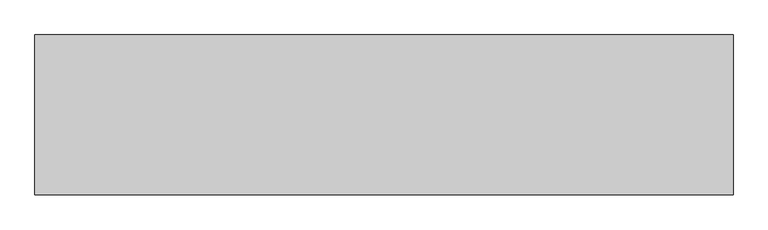
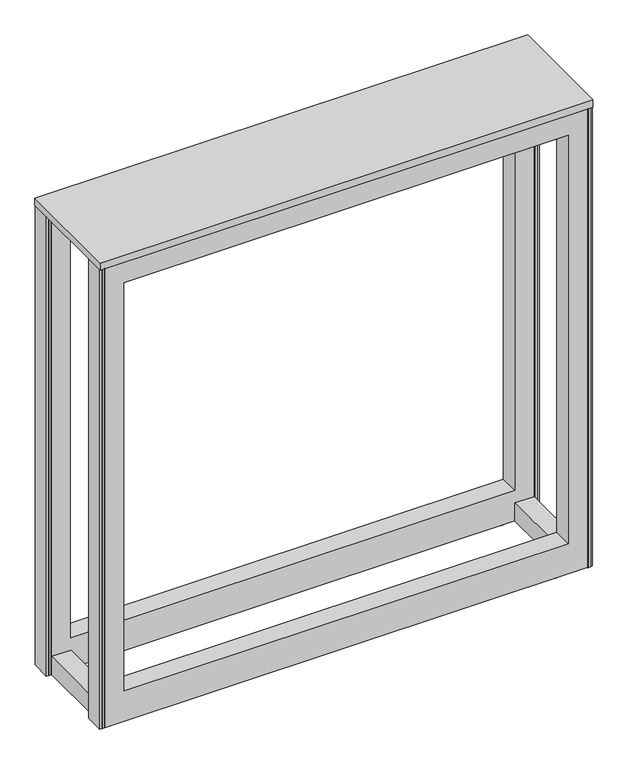
"""IFC4 building model written with IfcOpenShell, lengths in millimetres: furniture geometry."""

import ifcopenshell
import ifcopenshell.guid

model = None  # the IFC model being written
_history = None  # IfcOwnerHistory: only IFC2X3 demands one
_inside = {}  # id of a spatial element -> (the spatial element, [elements in it])
_under = {}  # id of a project, library or spatial element -> (it, [spatial elements below it])
_declared = {}  # id of a project -> (the project, [libraries it declares])
_typed = {}  # id of a type object -> (the type object, [elements of that type])
_made_of = {}  # id of a material, layer set ... -> (it, [elements and type objects made of it])


def new_model(schema):
    """Start an empty IFC model of exactly this schema.

    Asked for "IFC4X3", IfcOpenShell would pick the latest addendum, in which some entities
    have other attributes; the version numbers below select the first issue.
    IFC2X3 requires an IfcOwnerHistory on every rooted entity: one is made here for all.
    """
    global model, _history
    if schema == "IFC4X3":
        model = ifcopenshell.file(schema_version=(4, 3, 0, 0))
    else:
        model = ifcopenshell.file(schema=schema)
    _inside.clear()
    _under.clear()
    _declared.clear()
    _typed.clear()
    _made_of.clear()
    _history = None
    if model.schema == "IFC2X3":
        org = make("IfcOrganization", Name="unknown")
        user = make(
            "IfcPersonAndOrganization",
            ThePerson=make("IfcPerson", FamilyName="unknown"),
            TheOrganization=org,
        )
        app = make(
            "IfcApplication",
            ApplicationDeveloper=org,
            Version="unknown",
            ApplicationFullName="unknown",
            ApplicationIdentifier="unknown",
        )
        _history = make(
            "IfcOwnerHistory",
            OwningUser=user,
            OwningApplication=app,
            ChangeAction="ADDED",
            CreationDate=0,
        )
    return model


def make(cls, **values):
    """One entity of the class cls with the attributes given. An attribute that is None is left unset."""
    return model.create_entity(
        cls, **{name: value for name, value in values.items() if value is not None}
    )


def rooted(cls, **values):
    """An entity with a GlobalId (a new one), such as an element, a storey or a relation."""
    return make(cls, GlobalId=ifcopenshell.guid.new(), OwnerHistory=_history, **values)


def si_unit(unit_type, name, prefix=None):
    """IfcSIUnit, for example si_unit("LENGTHUNIT", "METRE", prefix="MILLI")."""
    return make("IfcSIUnit", UnitType=unit_type, Prefix=prefix, Name=name)


def assignment(units):
    """IfcUnitAssignment: the units of a project."""
    return None if units is None else make("IfcUnitAssignment", Units=units)


def point(xyz):
    """IfcCartesianPoint."""
    return None if xyz is None else make("IfcCartesianPoint", Coordinates=xyz)


def direction(xyz):
    """IfcDirection."""
    return None if xyz is None else make("IfcDirection", DirectionRatios=xyz)


def frame(location, z_axis=None, x_axis=None):
    """IfcAxis2Placement3D, a coordinate frame: its origin and axes. An axis left out is left unset."""
    return make(
        "IfcAxis2Placement3D",
        Location=point(location),
        Axis=direction(z_axis),
        RefDirection=direction(x_axis),
    )


def origin():
    """The frame at (0, 0, 0) with its axes left unset."""
    return frame((0.0, 0.0, 0.0))


def place(relative_to, where):
    """IfcLocalPlacement: puts the frame where relative to a parent placement (None: the world)."""
    return make(
        "IfcLocalPlacement", PlacementRelTo=relative_to, RelativePlacement=where
    )


def context(
    kind, dimensions, precision=None, world=None, true_north=None, identifier=None
):
    """IfcGeometricRepresentationContext, for example the 3D "Model" context."""
    return make(
        "IfcGeometricRepresentationContext",
        ContextIdentifier=identifier,
        ContextType=kind,
        CoordinateSpaceDimension=dimensions,
        Precision=precision,
        WorldCoordinateSystem=world,
        TrueNorth=true_north,
    )


def project(units=None, contexts=None):
    """IfcProject with its units and contexts."""
    return rooted(
        "IfcProject",
        Name="project",
        RepresentationContexts=contexts,
        UnitsInContext=assignment(units),
    )


def spatial(cls, under=None, at=None, **own):
    """A site, building, storey or space (cls), placed at a placement, below another one or the project."""
    s = rooted(cls, ObjectPlacement=at, **own)
    if under is not None:
        _under.setdefault(under.id(), (under, []))[1].append(s)
    return s


def polyline(points):
    """IfcPolyline through the points."""
    return make("IfcPolyline", Points=[point(p) for p in points])


def circle_curve(where, radius):
    """IfcCircle in the frame where."""
    return make("IfcCircle", Position=where, Radius=radius)


def outline(outer, holes=None, kind="AREA"):
    """IfcArbitraryClosedProfileDef: a profile drawn as a closed curve; with holes, ...WithVoids."""
    if holes is None:
        return make("IfcArbitraryClosedProfileDef", ProfileType=kind, OuterCurve=outer)
    return make(
        "IfcArbitraryProfileDefWithVoids",
        ProfileType=kind,
        OuterCurve=outer,
        InnerCurves=holes,
    )


def extrude(swept, where, along, depth):
    """IfcExtrudedAreaSolid: the profile swept, set in the frame where, extruded along a direction by depth."""
    return make(
        "IfcExtrudedAreaSolid",
        SweptArea=swept,
        Position=where,
        ExtrudedDirection=direction(along),
        Depth=depth,
    )


def faces_of(points, faces, orient=None, outer=None):
    """IfcFace entities. A face is a list of loops; a loop is a list of indices into points, from 0.

    orient and outer hold one flag for each loop. By default every Orientation is true, the
    first loop of a face is its IfcFaceOuterBound and the others are IfcFaceBound.
    """
    made = []
    for i, loops in enumerate(faces):
        bounds = []
        for j, loop in enumerate(loops):
            is_outer = j == 0 if outer is None else outer[i][j]
            bounds.append(
                make(
                    "IfcFaceOuterBound" if is_outer else "IfcFaceBound",
                    Bound=make("IfcPolyLoop", Polygon=[points[k] for k in loop]),
                    Orientation=True if orient is None else orient[i][j],
                )
            )
        made.append(make("IfcFace", Bounds=bounds))
    return made


def faceted_brep(points, faces, orient=None, outer=None, voids=None):
    """IfcFacetedBrep: a solid bounded by flat faces; with voids (closed shells), ...WithVoids."""
    shared = [point(p) for p in points]
    hull = make("IfcClosedShell", CfsFaces=faces_of(shared, faces, orient, outer))
    if voids is None:
        return make("IfcFacetedBrep", Outer=hull)
    return make(
        "IfcFacetedBrepWithVoids",
        Outer=hull,
        Voids=[
            make(cls, CfsFaces=faces_of(shared, fs, o, b)) for cls, fs, o, b in voids
        ],
    )


def shape(context_of_items, identifier, shape_type, items):
    """IfcShapeRepresentation: the items that make up one representation, for example the "Body"."""
    return make(
        "IfcShapeRepresentation",
        ContextOfItems=context_of_items,
        RepresentationIdentifier=identifier,
        RepresentationType=shape_type,
        Items=items,
    )


def source(mapping_origin, context_of_items, identifier, shape_type, items):
    """IfcRepresentationMap: a shape defined once, which mapped items show again and again."""
    return make(
        "IfcRepresentationMap",
        MappingOrigin=mapping_origin,
        MappedRepresentation=shape(context_of_items, identifier, shape_type, items),
    )


def transform(
    local_origin,
    x_axis=None,
    y_axis=None,
    z_axis=None,
    scale=None,
    scale2=None,
    scale3=None,
    uniform=True,
):
    """IfcCartesianTransformationOperator3D, or its non-uniform kind. x_axis, y_axis, z_axis: its Axis1, 2, 3."""
    if uniform:
        return make(
            "IfcCartesianTransformationOperator3D",
            Axis1=direction(x_axis),
            Axis2=direction(y_axis),
            LocalOrigin=point(local_origin),
            Scale=scale,
            Axis3=direction(z_axis),
        )
    return make(
        "IfcCartesianTransformationOperator3DnonUniform",
        Axis1=direction(x_axis),
        Axis2=direction(y_axis),
        LocalOrigin=point(local_origin),
        Scale=scale,
        Axis3=direction(z_axis),
        Scale2=scale2,
        Scale3=scale3,
    )


def mapped(mapping_source, mapping_target):
    """IfcMappedItem: shows the shape of a source again, moved by a transform."""
    return make(
        "IfcMappedItem", MappingSource=mapping_source, MappingTarget=mapping_target
    )


def made_of(thing, what):
    """Note that an element or type object is made of a material, layer set ...; save() writes the relation."""
    if what is not None:
        _made_of.setdefault(what.id(), (what, []))[1].append(thing)
    return thing


def element(
    cls,
    number,
    at=None,
    inside=None,
    cuts=None,
    type_object=None,
    material=None,
    context=None,
    identifier="Body",
    shape_type=None,
    held_by="IfcProductDefinitionShape",
    body=None,
    shapes=None,
    **own,
):
    """One element of the class cls, such as IfcWall. Its Tag is "e" and its number.

    at: its placement. inside: the storey or other place that contains it. cuts: it is an
    opening in that element (IfcRelVoidsElement). A single representation is given by context,
    identifier, shape_type and body (its items); several are given by shapes. held_by: the class
    of the entity that holds the representations. save() writes the other relations.
    """
    e = rooted(cls, Tag="e%d" % number, ObjectPlacement=at, **own)
    if body is not None:
        shapes = [shape(context, identifier, shape_type, body)]
    if shapes is not None:
        e.Representation = make(held_by, Representations=shapes)
    if inside is not None:
        _inside.setdefault(inside.id(), (inside, []))[1].append(e)
    if cuts is not None:
        rooted(
            "IfcRelVoidsElement", RelatingBuildingElement=cuts, RelatedOpeningElement=e
        )
    if type_object is not None:
        _typed.setdefault(type_object.id(), (type_object, []))[1].append(e)
    return made_of(e, material)


def aggregate(whole, parts):
    """IfcRelAggregates: a whole, such as a stair, and the parts it consists of."""
    return rooted("IfcRelAggregates", RelatingObject=whole, RelatedObjects=parts)


def save(model, path):
    """Write the relations noted so far, then the file.

    IfcRelAggregates (storeys below a building ...), IfcRelContainedInSpatialStructure (elements
    in a storey), IfcRelDefinesByType, IfcRelAssociatesMaterial and IfcRelDeclares: one each for
    every whole, place, type object, material and project.
    """
    for whole, parts in _under.values():
        aggregate(whole, parts)
    for where, things in _inside.values():
        rooted(
            "IfcRelContainedInSpatialStructure",
            RelatedElements=things,
            RelatingStructure=where,
        )
    for kind, things in _typed.values():
        rooted("IfcRelDefinesByType", RelatedObjects=things, RelatingType=kind)
    for what, things in _made_of.values():
        rooted("IfcRelAssociatesMaterial", RelatedObjects=things, RelatingMaterial=what)
    for by, libraries in _declared.values():
        rooted("IfcRelDeclares", RelatingContext=by, RelatedDefinitions=libraries)
    model.write(path)


def plane_surface(at):
    """IfcPlane: the flat surface through the origin of the frame at, square to its z axis."""
    return make("IfcPlane", Position=at)


def cylinder_surface(at, radius):
    """IfcCylindricalSurface: all points at the distance radius from the z axis of the frame at."""
    return make("IfcCylindricalSurface", Position=at, Radius=radius)


def advanced_brep(points, edges, surfaces, faces):
    """IfcAdvancedBrep: a solid bounded by faces that lie on surfaces and meet in shared edges.

    An edge is (start, end): straight between two places in points (the first is 0);
    or (start, end, curve); or (start, end, curve, False) where it runs against its curve.
    A face is (place in surfaces, loops), or (place, loops, False) where it looks against
    its surface's normal. A loop lists edges by number (the first is 1), with a minus sign
    where the edge is run from its end to its start. The first loop is the outer one.
    """
    corners = [point(p) for p in points]
    vertices = [make("IfcVertexPoint", VertexGeometry=c) for c in corners]
    made = []
    for start, end, *more in edges:
        made.append(
            make(
                "IfcEdgeCurve",
                EdgeStart=vertices[start],
                EdgeEnd=vertices[end],
                EdgeGeometry=more[0] if more else make("IfcPolyline", Points=[corners[start], corners[end]]),
                SameSense=more[1] if len(more) > 1 else True,
            )
        )
    hull = []
    for where, loops, *sense in faces:
        bounds = []
        for j, loop in enumerate(loops):
            ring = [make("IfcOrientedEdge", EdgeElement=made[abs(k) - 1], Orientation=k > 0) for k in loop]
            bounds.append(
                make(
                    "IfcFaceOuterBound" if j == 0 else "IfcFaceBound",
                    Bound=make("IfcEdgeLoop", EdgeList=ring),
                    Orientation=True,
                )
            )
        hull.append(make("IfcAdvancedFace", Bounds=bounds, FaceSurface=surfaces[where], SameSense=sense[0] if sense else True))
    return make("IfcAdvancedBrep", Outer=make("IfcClosedShell", CfsFaces=hull))


def furniture_310f0b19(model_context):
    return source(origin(), model_context, "Body", "SolidModel", [
        extrude(outline(polyline([(552.3647752, -1662.8012805), (552.3647752, -1942.2012805), (-666.8352248, -1942.2012805), (-666.8352248, -1662.8012805), (552.3647752, -1662.8012805)])), frame((0.0, 0.0, 1209.675), z_axis=(0.0, 0.0, 1.0), x_axis=(1.0, 0.0, 0.0)), (0.0, 0.0, 1.0), 19.05),
        faceted_brep([(-606.5102232, -1716.7762789, 1155.6999758), (-606.5102232, -1716.7762789, 1147.8259651), (-606.5102232, -1717.5700289, 1147.8259651), (-606.5102232, -1717.5700289, 1156.4937258), (-606.5102232, -1712.1156691, 1156.4937258), (-606.5102232, -1712.1156691, 1155.6999758), (492.0327537, -1717.5700289, 1156.4937258), (492.0327537, -1717.5700289, 1147.8259651), (492.0327537, -1716.7762789, 1147.8259651), (492.0327537, -1716.7762789, 1155.6999758), (492.0327537, -1712.1156691, 1155.6999758), (492.0327537, -1712.1156691, 1156.4937258), (492.0327537, -1667.5637805, 1156.4937258), (-606.5102232, -1667.5637805, 1156.4937258), (492.0327537, -1667.5637805, 1208.88125), (-606.5102232, -1667.5637805, 1208.88125), (492.0327537, -1712.1156691, 1208.88125), (-606.5102232, -1712.1156691, 1208.88125), (-658.8977242, -1712.1156691, 1209.675), (-658.8977242, -1712.1156691, 9.525), (544.4272747, -1712.1156691, 9.525), (544.4272747, -1712.1156691, 1209.675), (492.0327537, -1712.1156691, 88.9000027), (-606.5102232, -1712.1156691, 88.9000027), (-658.8977242, -1664.3887805, 1209.675), (544.4272747, -1664.3887805, 1209.675), (-658.8977242, -1664.3887805, 9.525), (544.4272747, -1664.3887805, 9.525), (492.0327537, -1664.3887805, 1155.6999758), (-606.5102232, -1664.3887805, 1155.6999758), (-606.5102232, -1664.3887805, 88.9000027), (492.0327537, -1664.3887805, 88.9000027)], [[[0, 1, 2, 3, 4, 5]], [[6, 7, 8, 9, 10, 11]], [[3, 6, 11, 12, 13, 4]], [[13, 12, 14, 15]], [[15, 14, 16, 17]], [[18, 19, 20, 21], [17, 16, 11, 10, 22, 23, 5, 4]], [[24, 18, 21, 25]], [[26, 24, 25, 27], [28, 29, 30, 31]], [[29, 28, 10, 9, 0, 5]], [[1, 0, 9, 8]], [[2, 1, 8, 7]], [[3, 2, 7, 6]], [[19, 26, 27, 20]], [[17, 4, 13, 15]], [[29, 5, 23, 30]], [[18, 24, 26, 19]], [[25, 21, 20, 27]], [[11, 16, 14, 12]], [[10, 28, 31, 22]], [[31, 30, 23, 22]]]),
        faceted_brep([(-606.5102232, -1888.1243934, 1147.8259651), (-606.5102232, -1888.1243934, 1155.6999758), (-606.5102232, -1892.9887805, 1155.6999758), (-606.5102232, -1892.9887805, 1156.4937258), (-606.5102232, -1887.3306434, 1156.4937258), (-606.5102232, -1887.3306434, 1147.8259651), (492.0327537, -1888.1243934, 1147.8259651), (492.0327537, -1887.3306434, 1147.8259651), (492.0327537, -1887.3306434, 1156.4937258), (492.0327537, -1892.9887805, 1156.4937258), (492.0327537, -1892.9887805, 1155.6999758), (492.0327537, -1888.1243934, 1155.6999758), (-658.8977242, -1892.9887805, 1209.675), (-658.8977242, -1940.7156691, 1209.675), (544.4272747, -1940.7156691, 1209.675), (544.4272747, -1892.9887805, 1209.675), (492.0327537, -1940.7156691, 1155.6999758), (-606.5102232, -1940.7156691, 1155.6999758), (-658.8977242, -1940.7156691, 9.525), (544.4272747, -1940.7156691, 9.525), (492.0327537, -1940.7156691, 88.9000027), (-606.5102232, -1940.7156691, 88.9000027), (-658.8977242, -1892.9887805, 9.525), (544.4272747, -1892.9887805, 9.525), (492.0327537, -1892.9887805, 1208.88125), (-606.5102232, -1892.9887805, 1208.88125), (-606.5102232, -1892.9887805, 88.9000027), (492.0327537, -1892.9887805, 88.9000027), (492.0327537, -1937.438782, 1208.88125), (-606.5102232, -1937.438782, 1208.88125), (492.0327537, -1937.438782, 1156.4937258), (-606.5102232, -1937.438782, 1156.4937258)], [[[0, 1, 2, 3, 4, 5]], [[6, 7, 8, 9, 10, 11]], [[12, 13, 14, 15]], [[1, 0, 6, 11]], [[1, 11, 10, 16, 17, 2]], [[13, 18, 19, 14], [17, 16, 20, 21]], [[22, 12, 15, 23], [24, 25, 3, 2, 26, 27, 10, 9]], [[25, 24, 28, 29]], [[29, 28, 30, 31]], [[31, 30, 9, 8, 4, 3]], [[5, 4, 8, 7]], [[0, 5, 7, 6]], [[18, 22, 23, 19]], [[2, 17, 21, 26]], [[3, 25, 29, 31]], [[13, 12, 22, 18]], [[15, 14, 19, 23]], [[16, 10, 27, 20]], [[24, 9, 30, 28]], [[27, 26, 21, 20]]]),
        faceted_brep([(492.0327537, -1713.6012805, 57.1500023), (492.0327537, -1713.6012805, 9.525), (492.0327537, -1891.4012805, 9.525), (492.0327537, -1891.4012805, 57.1500023), (539.6647745, -1713.6012805, 57.1500023), (539.6647745, -1891.4012805, 57.1500023), (539.6647745, -1891.4012805, 9.525), (539.6647745, -1713.6012805, 9.525)], [[[0, 1, 2, 3]], [[4, 5, 6, 7]], [[1, 0, 4, 7]], [[2, 1, 7, 6]], [[3, 2, 6, 5]], [[0, 3, 5, 4]]]),
        faceted_brep([(-654.135224, -1891.4012805, 57.1500023), (-654.135224, -1713.6012805, 57.1500023), (-654.135224, -1713.6012805, 9.525), (-654.135224, -1891.4012805, 9.525), (-606.5102232, -1891.4012805, 57.1500023), (-606.5102232, -1891.4012805, 9.525), (-606.5102232, -1713.6012805, 9.525), (-606.5102232, -1713.6012805, 57.1500023)], [[[0, 1, 2, 3]], [[4, 5, 6, 7]], [[1, 0, 4, 7]], [[2, 1, 7, 6]], [[3, 2, 6, 5]], [[0, 3, 5, 4]]]),
        extrude(outline(polyline([(-666.8352248, -1664.3887805), (-658.8977242, -1664.3887805), (-658.8977242, -1712.1156691), (-666.8352248, -1712.1156691), (-666.8352248, -1664.3887805)])), frame((0.0, 0.0, 9.525), z_axis=(0.0, 0.0, 1.0), x_axis=(1.0, 0.0, 0.0)), (0.0, 0.0, 1.0), 1200.15),
        extrude(outline(polyline([(552.3647752, -1664.3887805), (552.3647752, -1712.1156691), (544.4272747, -1712.1156691), (544.4272747, -1664.3887805), (552.3647752, -1664.3887805)])), frame((0.0, 0.0, 9.525), z_axis=(0.0, 0.0, 1.0), x_axis=(1.0, 0.0, 0.0)), (0.0, 0.0, 1.0), 1200.15),
        extrude(outline(polyline([(-666.8352248, -1940.7156691), (-666.8352248, -1892.9887805), (-658.8977242, -1892.9887805), (-658.8977242, -1940.7156691), (-666.8352248, -1940.7156691)])), frame((0.0, 0.0, 9.525), z_axis=(0.0, 0.0, 1.0), x_axis=(1.0, 0.0, 0.0)), (0.0, 0.0, 1.0), 1200.15),
        extrude(outline(polyline([(552.3647752, -1940.7156691), (544.4272747, -1940.7156691), (544.4272747, -1892.9887805), (552.3647752, -1892.9887805), (552.3647752, -1940.7156691)])), frame((0.0, 0.0, 9.525), z_axis=(0.0, 0.0, 1.0), x_axis=(1.0, 0.0, 0.0)), (0.0, 0.0, 1.0), 1200.15),
        advanced_brep(
        [(460.3465668, -1688.2012805, 31.7500003), (473.0465668, -1688.2012805, 31.7500003), (466.6965668, -1688.2012805, 31.7500003), (460.3465668, -1688.2012805, 4.7625), (473.0465668, -1688.2012805, 4.7625), (453.9965668, -1688.2012805, 4.7625), (479.3965668, -1688.2012805, 4.7625), (453.9965668, -1688.2012805, 0.0), (479.3965668, -1688.2012805, 0.0), (466.6965668, -1688.2012805, 0.0)],
        [
            (0, 1, circle_curve(frame((466.6965668, -1688.2012805, 31.7500003), z_axis=(0.0, 0.0, 1.0), x_axis=(1.0, 0.0, 0.0)), 6.35)),
            (1, 2),
            (2, 0),
            (1, 0, circle_curve(frame((466.6965668, -1688.2012805, 31.7500003), z_axis=(0.0, 0.0, 1.0), x_axis=(1.0, 0.0, 0.0)), 6.35)),
            (3, 4, circle_curve(frame((466.6965668, -1688.2012805, 4.7625), z_axis=(0.0, 0.0, 1.0), x_axis=(1.0, 0.0, 0.0)), 6.35)),
            (4, 1),
            (0, 3),
            (4, 3, circle_curve(frame((466.6965668, -1688.2012805, 4.7625), z_axis=(0.0, 0.0, 1.0), x_axis=(1.0, 0.0, 0.0)), 6.35)),
            (5, 6, circle_curve(frame((466.6965668, -1688.2012805, 4.7625), z_axis=(0.0, 0.0, 1.0), x_axis=(1.0, 0.0, 0.0)), 12.7)),
            (6, 4),
            (3, 5),
            (6, 5, circle_curve(frame((466.6965668, -1688.2012805, 4.7625), z_axis=(0.0, 0.0, 1.0), x_axis=(1.0, 0.0, 0.0)), 12.7)),
            (7, 8, circle_curve(frame((466.6965668, -1688.2012805, 0.0), z_axis=(0.0, 0.0, 1.0), x_axis=(1.0, 0.0, 0.0)), 12.7)),
            (8, 6),
            (5, 7),
            (8, 7, circle_curve(frame((466.6965668, -1688.2012805, 0.0), z_axis=(0.0, 0.0, 1.0), x_axis=(1.0, 0.0, 0.0)), 12.7)),
            (9, 8),
            (7, 9),
        ],
        [
            plane_surface(frame((466.6965668, -1688.2012805, 31.7500003), z_axis=(0.0, 0.0, 1.0), x_axis=(1.0, 0.0, 0.0))),
            cylinder_surface(frame((466.6965668, -1688.2012805, -8.2875395), z_axis=(0.0, 0.0, -1.0), x_axis=(1.0, 0.0, 0.0)), 6.35),
            plane_surface(frame((466.6965668, -1688.2012805, 4.7625), z_axis=(0.0, 0.0, 1.0), x_axis=(1.0, 0.0, 0.0))),
            cylinder_surface(frame((466.6965668, -1688.2012805, -8.2875395), z_axis=(0.0, 0.0, -1.0), x_axis=(1.0, 0.0, 0.0)), 12.7),
            plane_surface(frame((466.6965668, -1688.2012805, 0.0), z_axis=(0.0, 0.0, -1.0), x_axis=(1.0, 0.0, 0.0))),
        ],
        [
            (0, [[1, 2, 3]]),
            (0, [[4, -3, -2]]),
            (1, [[5, 6, -1, 7]]),
            (1, [[8, -7, -4, -6]]),
            (2, [[9, 10, -5, 11]]),
            (2, [[12, -11, -8, -10]]),
            (3, [[13, 14, -9, 15]]),
            (3, [[16, -15, -12, -14]]),
            (4, [[17, -13, 18]]),
            (4, [[-18, -16, -17]]),
        ],
    ),
        advanced_brep(
        [(453.9965668, -1916.8012805, 0.0), (479.3965668, -1916.8012805, 0.0), (479.3965668, -1916.8012805, 4.7625), (453.9965668, -1916.8012805, 4.7625), (466.6965668, -1916.8012805, 0.0), (460.3465668, -1916.8012805, 31.7500003), (473.0465668, -1916.8012805, 31.7500003), (466.6965668, -1916.8012805, 31.7500003), (460.3465668, -1916.8012805, 4.7625), (473.0465668, -1916.8012805, 4.7625)],
        [
            (0, 1, circle_curve(frame((466.6965668, -1916.8012805, 0.0), z_axis=(0.0, 0.0, 1.0), x_axis=(1.0, 0.0, 0.0)), 12.7)),
            (1, 2),
            (2, 3, circle_curve(frame((466.6965668, -1916.8012805, 4.7625), z_axis=(0.0, 0.0, -1.0), x_axis=(1.0, 0.0, 0.0)), 12.7)),
            (3, 0),
            (1, 0, circle_curve(frame((466.6965668, -1916.8012805, 0.0), z_axis=(0.0, 0.0, 1.0), x_axis=(1.0, 0.0, 0.0)), 12.7)),
            (3, 2, circle_curve(frame((466.6965668, -1916.8012805, 4.7625), z_axis=(0.0, 0.0, -1.0), x_axis=(1.0, 0.0, 0.0)), 12.7)),
            (4, 1),
            (0, 4),
            (5, 6, circle_curve(frame((466.6965668, -1916.8012805, 31.7500003), z_axis=(0.0, 0.0, 1.0), x_axis=(1.0, 0.0, 0.0)), 6.35)),
            (6, 7),
            (7, 5),
            (6, 5, circle_curve(frame((466.6965668, -1916.8012805, 31.7500003), z_axis=(0.0, 0.0, 1.0), x_axis=(1.0, 0.0, 0.0)), 6.35)),
            (8, 9, circle_curve(frame((466.6965668, -1916.8012805, 4.7625), z_axis=(0.0, 0.0, 1.0), x_axis=(1.0, 0.0, 0.0)), 6.35)),
            (9, 6),
            (5, 8),
            (9, 8, circle_curve(frame((466.6965668, -1916.8012805, 4.7625), z_axis=(0.0, 0.0, 1.0), x_axis=(1.0, 0.0, 0.0)), 6.35)),
            (2, 9),
            (8, 3),
        ],
        [
            cylinder_surface(frame((466.6965668, -1916.8012805, -12.7), z_axis=(0.0, 0.0, -1.0), x_axis=(1.0, 0.0, 0.0)), 12.7),
            plane_surface(frame((466.6965668, -1916.8012805, 0.0), z_axis=(0.0, 0.0, -1.0), x_axis=(1.0, 0.0, 0.0))),
            plane_surface(frame((466.6965668, -1916.8012805, 31.7500003), z_axis=(0.0, 0.0, 1.0), x_axis=(1.0, 0.0, 0.0))),
            cylinder_surface(frame((466.6965668, -1916.8012805, -12.7), z_axis=(0.0, 0.0, -1.0), x_axis=(1.0, 0.0, 0.0)), 6.35),
            plane_surface(frame((466.6965668, -1916.8012805, 4.7625), z_axis=(0.0, 0.0, 1.0), x_axis=(1.0, 0.0, 0.0))),
        ],
        [
            (0, [[1, 2, 3, 4]]),
            (0, [[5, -4, 6, -2]]),
            (1, [[7, -1, 8]]),
            (1, [[-8, -5, -7]]),
            (2, [[9, 10, 11]]),
            (2, [[12, -11, -10]]),
            (3, [[13, 14, -9, 15]]),
            (3, [[16, -15, -12, -14]]),
            (4, [[-3, 17, -13, 18]]),
            (4, [[-6, -18, -16, -17]]),
        ],
    ),
        advanced_brep(
        [(-593.8670163, -1916.8012805, 0.0), (-568.4670163, -1916.8012805, 0.0), (-568.4670163, -1916.8012805, 4.7625), (-593.8670163, -1916.8012805, 4.7625), (-581.1670163, -1916.8012805, 0.0), (-587.5170163, -1916.8012805, 31.7500003), (-574.8170163, -1916.8012805, 31.7500003), (-581.1670163, -1916.8012805, 31.7500003), (-587.5170163, -1916.8012805, 4.7625), (-574.8170163, -1916.8012805, 4.7625)],
        [
            (0, 1, circle_curve(frame((-581.1670163, -1916.8012805, 0.0), z_axis=(0.0, 0.0, 1.0), x_axis=(1.0, 0.0, 0.0)), 12.7)),
            (1, 2),
            (2, 3, circle_curve(frame((-581.1670163, -1916.8012805, 4.7625), z_axis=(0.0, 0.0, -1.0), x_axis=(1.0, 0.0, 0.0)), 12.7)),
            (3, 0),
            (1, 0, circle_curve(frame((-581.1670163, -1916.8012805, 0.0), z_axis=(0.0, 0.0, 1.0), x_axis=(1.0, 0.0, 0.0)), 12.7)),
            (3, 2, circle_curve(frame((-581.1670163, -1916.8012805, 4.7625), z_axis=(0.0, 0.0, -1.0), x_axis=(1.0, 0.0, 0.0)), 12.7)),
            (4, 1),
            (0, 4),
            (5, 6, circle_curve(frame((-581.1670163, -1916.8012805, 31.7500003), z_axis=(0.0, 0.0, 1.0), x_axis=(1.0, 0.0, 0.0)), 6.35)),
            (6, 7),
            (7, 5),
            (6, 5, circle_curve(frame((-581.1670163, -1916.8012805, 31.7500003), z_axis=(0.0, 0.0, 1.0), x_axis=(1.0, 0.0, 0.0)), 6.35)),
            (8, 9, circle_curve(frame((-581.1670163, -1916.8012805, 4.7625), z_axis=(0.0, 0.0, 1.0), x_axis=(1.0, 0.0, 0.0)), 6.35)),
            (9, 6),
            (5, 8),
            (9, 8, circle_curve(frame((-581.1670163, -1916.8012805, 4.7625), z_axis=(0.0, 0.0, 1.0), x_axis=(1.0, 0.0, 0.0)), 6.35)),
            (2, 9),
            (8, 3),
        ],
        [
            cylinder_surface(frame((-581.1670163, -1916.8012805, -4.6781394), z_axis=(0.0, 0.0, -1.0), x_axis=(1.0, 0.0, 0.0)), 12.7),
            plane_surface(frame((-581.1670163, -1916.8012805, 0.0), z_axis=(0.0, 0.0, -1.0), x_axis=(1.0, 0.0, 0.0))),
            plane_surface(frame((-581.1670163, -1916.8012805, 31.7500003), z_axis=(0.0, 0.0, 1.0), x_axis=(1.0, 0.0, 0.0))),
            cylinder_surface(frame((-581.1670163, -1916.8012805, -4.6781394), z_axis=(0.0, 0.0, -1.0), x_axis=(1.0, 0.0, 0.0)), 6.35),
            plane_surface(frame((-581.1670163, -1916.8012805, 4.7625), z_axis=(0.0, 0.0, 1.0), x_axis=(1.0, 0.0, 0.0))),
        ],
        [
            (0, [[1, 2, 3, 4]]),
            (0, [[5, -4, 6, -2]]),
            (1, [[7, -1, 8]]),
            (1, [[-8, -5, -7]]),
            (2, [[9, 10, 11]]),
            (2, [[12, -11, -10]]),
            (3, [[13, 14, -9, 15]]),
            (3, [[16, -15, -12, -14]]),
            (4, [[-3, 17, -13, 18]]),
            (4, [[-6, -18, -16, -17]]),
        ],
    ),
        advanced_brep(
        [(-593.8670163, -1688.2012805, 0.0), (-568.4670163, -1688.2012805, 0.0), (-568.4670163, -1688.2012805, 4.7625), (-593.8670163, -1688.2012805, 4.7625), (-581.1670163, -1688.2012805, 0.0), (-587.5170163, -1688.2012805, 31.7500003), (-574.8170163, -1688.2012805, 31.7500003), (-581.1670163, -1688.2012805, 31.7500003), (-587.5170163, -1688.2012805, 4.7625), (-574.8170163, -1688.2012805, 4.7625)],
        [
            (0, 1, circle_curve(frame((-581.1670163, -1688.2012805, 0.0), z_axis=(0.0, 0.0, 1.0), x_axis=(1.0, 0.0, 0.0)), 12.7)),
            (1, 2),
            (2, 3, circle_curve(frame((-581.1670163, -1688.2012805, 4.7625), z_axis=(0.0, 0.0, -1.0), x_axis=(1.0, 0.0, 0.0)), 12.7)),
            (3, 0),
            (1, 0, circle_curve(frame((-581.1670163, -1688.2012805, 0.0), z_axis=(0.0, 0.0, 1.0), x_axis=(1.0, 0.0, 0.0)), 12.7)),
            (3, 2, circle_curve(frame((-581.1670163, -1688.2012805, 4.7625), z_axis=(0.0, 0.0, -1.0), x_axis=(1.0, 0.0, 0.0)), 12.7)),
            (4, 1),
            (0, 4),
            (5, 6, circle_curve(frame((-581.1670163, -1688.2012805, 31.7500003), z_axis=(0.0, 0.0, 1.0), x_axis=(1.0, 0.0, 0.0)), 6.35)),
            (6, 7),
            (7, 5),
            (6, 5, circle_curve(frame((-581.1670163, -1688.2012805, 31.7500003), z_axis=(0.0, 0.0, 1.0), x_axis=(1.0, 0.0, 0.0)), 6.35)),
            (8, 9, circle_curve(frame((-581.1670163, -1688.2012805, 4.7625), z_axis=(0.0, 0.0, 1.0), x_axis=(1.0, 0.0, 0.0)), 6.35)),
            (9, 6),
            (5, 8),
            (9, 8, circle_curve(frame((-581.1670163, -1688.2012805, 4.7625), z_axis=(0.0, 0.0, 1.0), x_axis=(1.0, 0.0, 0.0)), 6.35)),
            (2, 9),
            (8, 3),
        ],
        [
            cylinder_surface(frame((-581.1670163, -1688.2012805, -10.8541202), z_axis=(0.0, 0.0, -1.0), x_axis=(1.0, 0.0, 0.0)), 12.7),
            plane_surface(frame((-581.1670163, -1688.2012805, 0.0), z_axis=(0.0, 0.0, -1.0), x_axis=(1.0, 0.0, 0.0))),
            plane_surface(frame((-581.1670163, -1688.2012805, 31.7500003), z_axis=(0.0, 0.0, 1.0), x_axis=(1.0, 0.0, 0.0))),
            cylinder_surface(frame((-581.1670163, -1688.2012805, -10.8541202), z_axis=(0.0, 0.0, -1.0), x_axis=(1.0, 0.0, 0.0)), 6.35),
            plane_surface(frame((-581.1670163, -1688.2012805, 4.7625), z_axis=(0.0, 0.0, 1.0), x_axis=(1.0, 0.0, 0.0))),
        ],
        [
            (0, [[1, 2, 3, 4]]),
            (0, [[5, -4, 6, -2]]),
            (1, [[7, -1, 8]]),
            (1, [[-8, -5, -7]]),
            (2, [[9, 10, 11]]),
            (2, [[12, -11, -10]]),
            (3, [[13, 14, -9, 15]]),
            (3, [[16, -15, -12, -14]]),
            (4, [[-3, 17, -13, 18]]),
            (4, [[-6, -18, -16, -17]]),
        ],
    ),
        extrude(outline(polyline([(547.6057257, -1942.2012805), (540.7730168, -1942.2012805), (539.6647745, -1940.7156691), (547.6057257, -1940.7156691), (547.6057257, -1942.2012805)])), frame((0.0, 0.0, 9.525), z_axis=(0.0, 0.0, 1.0), x_axis=(1.0, 0.0, 0.0)), (0.0, 0.0, 1.0), 1200.15),
        extrude(outline(polyline([(539.6647745, -1664.3887805), (540.7730168, -1662.8012805), (547.6057257, -1662.8012805), (547.6057257, -1664.3887805), (539.6647745, -1664.3887805)])), frame((0.0, 0.0, 9.525), z_axis=(0.0, 0.0, 1.0), x_axis=(1.0, 0.0, 0.0)), (0.0, 0.0, 1.0), 1200.15),
        extrude(outline(polyline([(539.7359035, -1712.1156691), (547.6057257, -1712.1156691), (547.6057257, -1713.6012805), (540.7730168, -1713.6012805), (539.7359035, -1712.1156691)])), frame((0.0, 0.0, 9.525), z_axis=(0.0, 0.0, 1.0), x_axis=(1.0, 0.0, 0.0)), (0.0, 0.0, 1.0), 1200.15),
        extrude(outline(polyline([(547.6057257, -1891.4012805), (547.6057257, -1892.9887805), (539.5887672, -1892.9887805), (540.7730168, -1891.4012805), (547.6057257, -1891.4012805)])), frame((0.0, 0.0, 9.525), z_axis=(0.0, 0.0, 1.0), x_axis=(1.0, 0.0, 0.0)), (0.0, 0.0, 1.0), 1200.15),
        extrude(outline(polyline([(-662.0761752, -1942.2012805), (-662.0761752, -1940.7156691), (-654.135224, -1940.7156691), (-655.2434663, -1942.2012805), (-662.0761752, -1942.2012805)])), frame((0.0, 0.0, 9.525), z_axis=(0.0, 0.0, 1.0), x_axis=(1.0, 0.0, 0.0)), (0.0, 0.0, 1.0), 1200.15),
        extrude(outline(polyline([(-654.135224, -1664.3887805), (-662.0761752, -1664.3887805), (-662.0761752, -1662.8012805), (-655.2434663, -1662.8012805), (-654.135224, -1664.3887805)])), frame((0.0, 0.0, 9.525), z_axis=(0.0, 0.0, 1.0), x_axis=(1.0, 0.0, 0.0)), (0.0, 0.0, 1.0), 1200.15),
        extrude(outline(polyline([(-654.135224, -1712.1156691), (-655.2434663, -1713.6012805), (-662.0761752, -1713.6012805), (-662.0761752, -1712.1156691), (-654.135224, -1712.1156691)])), frame((0.0, 0.0, 9.525), z_axis=(0.0, 0.0, 1.0), x_axis=(1.0, 0.0, 0.0)), (0.0, 0.0, 1.0), 1200.15),
        extrude(outline(polyline([(-662.0761752, -1891.4012805), (-655.2434663, -1891.4012805), (-654.135224, -1892.9887805), (-662.0761752, -1892.9887805), (-662.0761752, -1891.4012805)])), frame((0.0, 0.0, 9.525), z_axis=(0.0, 0.0, 1.0), x_axis=(1.0, 0.0, 0.0)), (0.0, 0.0, 1.0), 1200.15),
    ])


if __name__ == "__main__":
    model = new_model("IFC4")
    model_context = context("Model", 3, world=origin())
    ifc_project = project(units=[si_unit("LENGTHUNIT", "METRE", prefix="MILLI")], contexts=[model_context])
    site = spatial("IfcSite", under=ifc_project)
    building = spatial("IfcBuilding", under=site)
    placement = place(None, origin())
    furniture_shape = furniture_310f0b19(model_context)
    element("IfcFurniture", 1, at=placement, inside=building, context=model_context, shape_type="MappedRepresentation", body=[
        mapped(furniture_shape, transform((0.0, 0.0, 0.0), x_axis=(1.0, 0.0, 0.0), y_axis=(0.0, 1.0, 0.0), z_axis=(0.0, 0.0, 1.0))),
    ])
    save(model, "model.ifc")
